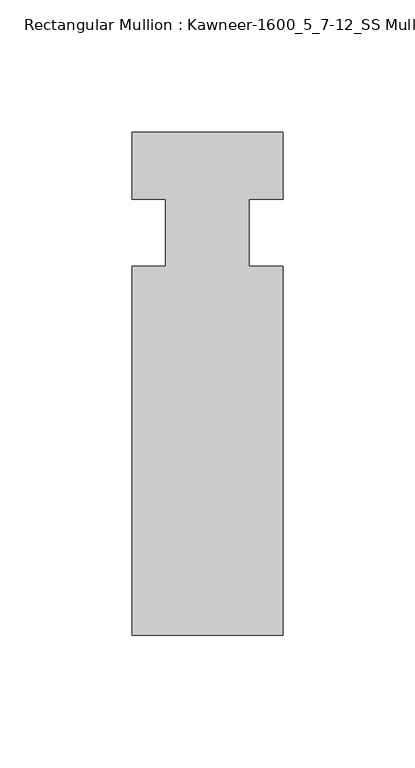
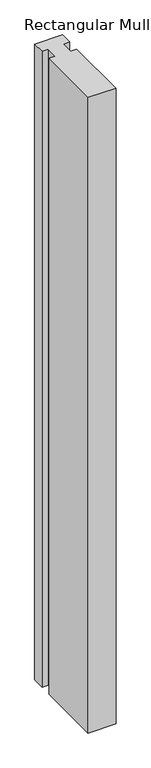
"""IFC4 building model written with IfcOpenShell, lengths in millimetres: member geometry, Rectangular Mullion : Kawneer-1600_5_7-12_SS Mullion_Horizontal."""

from ifc_helpers import new_model, si_unit, frame, origin, place, context, project, spatial, polyline, outline, extrude, source, transform, mapped, element, save


def rectangular_mullion_kawneer_1600_5_7_12_ss_mullion_1df0a9cc(model_context):
    return source(origin(), model_context, "Body", "SweptSolid", [
        extrude(outline(polyline([(32.9094027, -152.4), (-24.2405973, -152.4), (-24.2405973, -12.7), (-11.5405973, -12.7), (-11.5405973, 12.7), (-24.2405973, 12.7), (-24.2405973, 38.1), (32.9094027, 38.1), (32.9094027, 12.7), (20.2076322, 12.7), (20.2076322, -12.7), (32.9094027, -12.7), (32.9094027, -152.4)])), frame((0.0, 0.0, -1383.1405973), z_axis=(0.0, 0.0, 1.0), x_axis=(1.0, 0.0, 0.0)), (0.0, 0.0, 1.0), 1383.1405973),
    ])


if __name__ == "__main__":
    model = new_model("IFC4")
    model_context = context("Model", 3, world=origin())
    ifc_project = project(units=[si_unit("LENGTHUNIT", "METRE", prefix="MILLI")], contexts=[model_context])
    site = spatial("IfcSite", under=ifc_project)
    building = spatial("IfcBuilding", under=site)
    placement = place(None, origin())
    rectangular_mullion_kawneer_1600_5_7_12_ss_mullion_shape = rectangular_mullion_kawneer_1600_5_7_12_ss_mullion_1df0a9cc(model_context)
    element("IfcMember", 1, ObjectType="Rectangular Mullion : Kawneer-1600_5_7-12_SS Mullion_Horizontal", at=placement, inside=building, context=model_context, shape_type="MappedRepresentation", body=[
        mapped(rectangular_mullion_kawneer_1600_5_7_12_ss_mullion_shape, transform((0.0, 0.0, 0.0), x_axis=(1.0, 0.0, 0.0), y_axis=(0.0, 1.0, 0.0), z_axis=(0.0, 0.0, 1.0))),
    ])
    save(model, "model.ifc")
